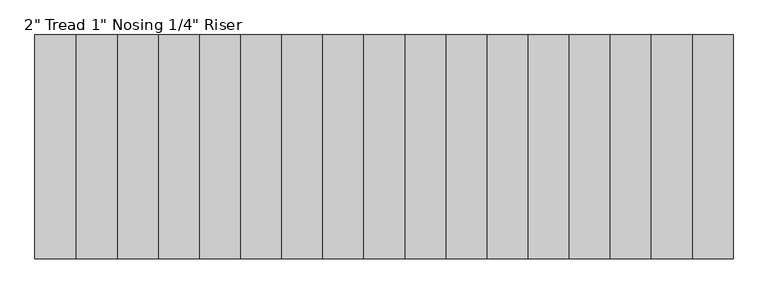
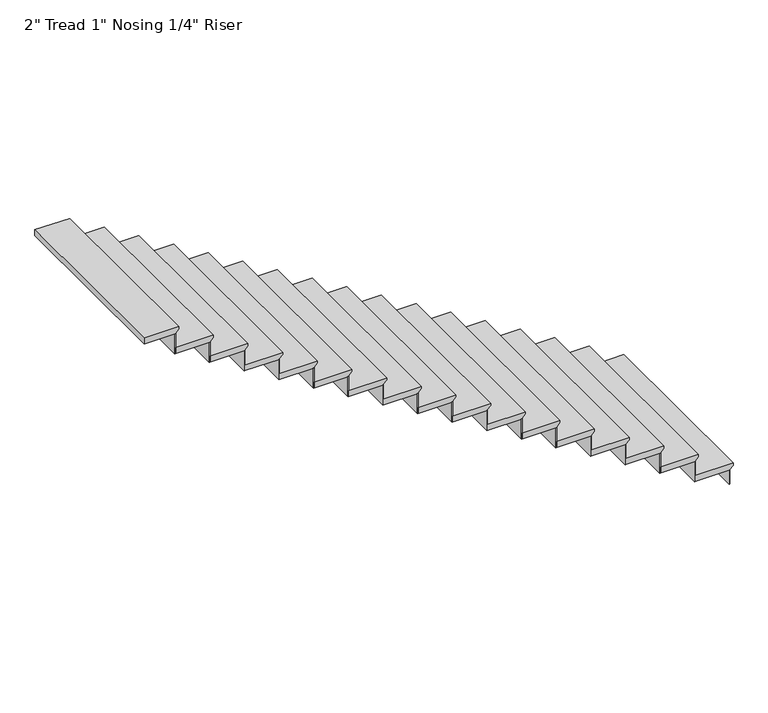
"""IFC4 building model written with IfcOpenShell, lengths in millimetres: stair flight geometry."""

from ifc_helpers import new_model, si_unit, frame, origin, origin_with_axes, place, context, project, spatial, polyline, outline, extrude, source, transform, mapped, element, save


def stair_flight_88319804(model_context):
    return source(origin(), model_context, "Body", "SweptSolid", [
        extrude(outline(polyline([(170.5428571, -328577.7168555), (170.5428571, -328882.5168555), (119.7428571, -328882.5168555), (119.7428571, -328603.1168555), (126.0928571, -328603.1168555), (151.4928571, -328577.7168555), (170.5428571, -328577.7168555)])), frame((0.0, 170909.3100981, 0.0), z_axis=(0.0, 1.0, 0.0), x_axis=(0.0, 0.0, 1.0)), (0.0, 0.0, 1.0), 1524.0),
        extrude(outline(polyline([(-328609.4668555, 172433.3100981), (-328603.1168555, 172433.3100981), (-328603.1168555, 170909.3100981), (-328609.4668555, 170909.3100981), (-328609.4668555, 172433.3100981)])), origin_with_axes(), (0.0, 0.0, 1.0), 119.7428571),
        extrude(outline(polyline([(-328888.8668555, 172433.3100981), (-328882.5168555, 172433.3100981), (-328882.5168555, 170909.3100981), (-328888.8668555, 170909.3100981), (-328888.8668555, 172433.3100981)])), frame((0.0, 0.0, 119.7428571), z_axis=(0.0, 0.0, 1.0), x_axis=(1.0, 0.0, 0.0)), (0.0, 0.0, 1.0), 170.5428571),
        extrude(outline(polyline([(341.0857143, -328857.1168555), (341.0857143, -329161.9168555), (290.2857143, -329161.9168555), (290.2857143, -328882.5168555), (296.6357143, -328882.5168555), (322.0357143, -328857.1168555), (341.0857143, -328857.1168555)])), frame((0.0, 170909.3100981, 0.0), z_axis=(0.0, 1.0, 0.0), x_axis=(0.0, 0.0, 1.0)), (0.0, 0.0, 1.0), 1524.0),
        extrude(outline(polyline([(-329168.2668555, 172433.3100981), (-329161.9168555, 172433.3100981), (-329161.9168555, 170909.3100981), (-329168.2668555, 170909.3100981), (-329168.2668555, 172433.3100981)])), frame((0.0, 0.0, 290.2857143), z_axis=(0.0, 0.0, 1.0), x_axis=(1.0, 0.0, 0.0)), (0.0, 0.0, 1.0), 170.5428571),
        extrude(outline(polyline([(511.6285714, -329136.5168555), (511.6285714, -329441.3168555), (460.8285714, -329441.3168555), (460.8285714, -329161.9168555), (467.1785714, -329161.9168555), (492.5785714, -329136.5168555), (511.6285714, -329136.5168555)])), frame((0.0, 170909.3100981, 0.0), z_axis=(0.0, 1.0, 0.0), x_axis=(0.0, 0.0, 1.0)), (0.0, 0.0, 1.0), 1524.0),
        extrude(outline(polyline([(-329447.6668555, 172433.3100981), (-329441.3168555, 172433.3100981), (-329441.3168555, 170909.3100981), (-329447.6668555, 170909.3100981), (-329447.6668555, 172433.3100981)])), frame((0.0, 0.0, 460.8285714), z_axis=(0.0, 0.0, 1.0), x_axis=(1.0, 0.0, 0.0)), (0.0, 0.0, 1.0), 170.5428571),
        extrude(outline(polyline([(682.1714286, -329415.9168555), (682.1714286, -329720.7168555), (631.3714286, -329720.7168555), (631.3714286, -329441.3168555), (637.7214286, -329441.3168555), (663.1214286, -329415.9168555), (682.1714286, -329415.9168555)])), frame((0.0, 170909.3100981, 0.0), z_axis=(0.0, 1.0, 0.0), x_axis=(0.0, 0.0, 1.0)), (0.0, 0.0, 1.0), 1524.0),
        extrude(outline(polyline([(-329727.0668555, 172433.3100981), (-329720.7168555, 172433.3100981), (-329720.7168555, 170909.3100981), (-329727.0668555, 170909.3100981), (-329727.0668555, 172433.3100981)])), frame((0.0, 0.0, 631.3714286), z_axis=(0.0, 0.0, 1.0), x_axis=(1.0, 0.0, 0.0)), (0.0, 0.0, 1.0), 170.5428571),
        extrude(outline(polyline([(852.7142857, -329695.3168555), (852.7142857, -330000.1168555), (801.9142857, -330000.1168555), (801.9142857, -329720.7168555), (808.2642857, -329720.7168555), (833.6642857, -329695.3168555), (852.7142857, -329695.3168555)])), frame((0.0, 170909.3100981, 0.0), z_axis=(0.0, 1.0, 0.0), x_axis=(0.0, 0.0, 1.0)), (0.0, 0.0, 1.0), 1524.0),
        extrude(outline(polyline([(-330006.4668555, 172433.3100981), (-330000.1168555, 172433.3100981), (-330000.1168555, 170909.3100981), (-330006.4668555, 170909.3100981), (-330006.4668555, 172433.3100981)])), frame((0.0, 0.0, 801.9142857), z_axis=(0.0, 0.0, 1.0), x_axis=(1.0, 0.0, 0.0)), (0.0, 0.0, 1.0), 170.5428571),
        extrude(outline(polyline([(1023.2571429, -329974.7168555), (1023.2571429, -330279.5168555), (972.4571429, -330279.5168555), (972.4571429, -330000.1168555), (978.8071429, -330000.1168555), (1004.2071429, -329974.7168555), (1023.2571429, -329974.7168555)])), frame((0.0, 170909.3100981, 0.0), z_axis=(0.0, 1.0, 0.0), x_axis=(0.0, 0.0, 1.0)), (0.0, 0.0, 1.0), 1524.0),
        extrude(outline(polyline([(-330285.8668555, 172433.3100981), (-330279.5168555, 172433.3100981), (-330279.5168555, 170909.3100981), (-330285.8668555, 170909.3100981), (-330285.8668555, 172433.3100981)])), frame((0.0, 0.0, 972.4571429), z_axis=(0.0, 0.0, 1.0), x_axis=(1.0, 0.0, 0.0)), (0.0, 0.0, 1.0), 170.5428571),
        extrude(outline(polyline([(1193.8, -330254.1168555), (1193.8, -330558.9168555), (1143.0, -330558.9168555), (1143.0, -330279.5168555), (1149.35, -330279.5168555), (1174.75, -330254.1168555), (1193.8, -330254.1168555)])), frame((0.0, 170909.3100981, 0.0), z_axis=(0.0, 1.0, 0.0), x_axis=(0.0, 0.0, 1.0)), (0.0, 0.0, 1.0), 1524.0),
        extrude(outline(polyline([(-330565.2668555, 172433.3100981), (-330558.9168555, 172433.3100981), (-330558.9168555, 170909.3100981), (-330565.2668555, 170909.3100981), (-330565.2668555, 172433.3100981)])), frame((0.0, 0.0, 1143.0), z_axis=(0.0, 0.0, 1.0), x_axis=(1.0, 0.0, 0.0)), (0.0, 0.0, 1.0), 170.5428571),
        extrude(outline(polyline([(1364.3428571, -330533.5168555), (1364.3428571, -330838.3168555), (1313.5428571, -330838.3168555), (1313.5428571, -330558.9168555), (1319.8928571, -330558.9168555), (1345.2928571, -330533.5168555), (1364.3428571, -330533.5168555)])), frame((0.0, 170909.3100981, 0.0), z_axis=(0.0, 1.0, 0.0), x_axis=(0.0, 0.0, 1.0)), (0.0, 0.0, 1.0), 1524.0),
        extrude(outline(polyline([(-330844.6668555, 172433.3100981), (-330838.3168555, 172433.3100981), (-330838.3168555, 170909.3100981), (-330844.6668555, 170909.3100981), (-330844.6668555, 172433.3100981)])), frame((0.0, 0.0, 1313.5428571), z_axis=(0.0, 0.0, 1.0), x_axis=(1.0, 0.0, 0.0)), (0.0, 0.0, 1.0), 170.5428571),
        extrude(outline(polyline([(1534.8857143, -330812.9168555), (1534.8857143, -331117.7168555), (1484.0857143, -331117.7168555), (1484.0857143, -330838.3168555), (1490.4357143, -330838.3168555), (1515.8357143, -330812.9168555), (1534.8857143, -330812.9168555)])), frame((0.0, 170909.3100981, 0.0), z_axis=(0.0, 1.0, 0.0), x_axis=(0.0, 0.0, 1.0)), (0.0, 0.0, 1.0), 1524.0),
        extrude(outline(polyline([(-331124.0668555, 172433.3100981), (-331117.7168555, 172433.3100981), (-331117.7168555, 170909.3100981), (-331124.0668555, 170909.3100981), (-331124.0668555, 172433.3100981)])), frame((0.0, 0.0, 1484.0857143), z_axis=(0.0, 0.0, 1.0), x_axis=(1.0, 0.0, 0.0)), (0.0, 0.0, 1.0), 170.5428571),
        extrude(outline(polyline([(1705.4285714, -331092.3168555), (1705.4285714, -331397.1168555), (1654.6285714, -331397.1168555), (1654.6285714, -331117.7168555), (1660.9785714, -331117.7168555), (1686.3785714, -331092.3168555), (1705.4285714, -331092.3168555)])), frame((0.0, 170909.3100981, 0.0), z_axis=(0.0, 1.0, 0.0), x_axis=(0.0, 0.0, 1.0)), (0.0, 0.0, 1.0), 1524.0),
        extrude(outline(polyline([(-331403.4668555, 172433.3100981), (-331397.1168555, 172433.3100981), (-331397.1168555, 170909.3100981), (-331403.4668555, 170909.3100981), (-331403.4668555, 172433.3100981)])), frame((0.0, 0.0, 1654.6285714), z_axis=(0.0, 0.0, 1.0), x_axis=(1.0, 0.0, 0.0)), (0.0, 0.0, 1.0), 170.5428571),
        extrude(outline(polyline([(1875.9714286, -331371.7168555), (1875.9714286, -331676.5168555), (1825.1714286, -331676.5168555), (1825.1714286, -331397.1168555), (1831.5214286, -331397.1168555), (1856.9214286, -331371.7168555), (1875.9714286, -331371.7168555)])), frame((0.0, 170909.3100981, 0.0), z_axis=(0.0, 1.0, 0.0), x_axis=(0.0, 0.0, 1.0)), (0.0, 0.0, 1.0), 1524.0),
        extrude(outline(polyline([(-331682.8668555, 172433.3100981), (-331676.5168555, 172433.3100981), (-331676.5168555, 170909.3100981), (-331682.8668555, 170909.3100981), (-331682.8668555, 172433.3100981)])), frame((0.0, 0.0, 1825.1714286), z_axis=(0.0, 0.0, 1.0), x_axis=(1.0, 0.0, 0.0)), (0.0, 0.0, 1.0), 170.5428571),
        extrude(outline(polyline([(2046.5142857, -331651.1168555), (2046.5142857, -331955.9168555), (1995.7142857, -331955.9168555), (1995.7142857, -331676.5168555), (2002.0642857, -331676.5168555), (2027.4642857, -331651.1168555), (2046.5142857, -331651.1168555)])), frame((0.0, 170909.3100981, 0.0), z_axis=(0.0, 1.0, 0.0), x_axis=(0.0, 0.0, 1.0)), (0.0, 0.0, 1.0), 1524.0),
        extrude(outline(polyline([(-331962.2668555, 172433.3100981), (-331955.9168555, 172433.3100981), (-331955.9168555, 170909.3100981), (-331962.2668555, 170909.3100981), (-331962.2668555, 172433.3100981)])), frame((0.0, 0.0, 1995.7142857), z_axis=(0.0, 0.0, 1.0), x_axis=(1.0, 0.0, 0.0)), (0.0, 0.0, 1.0), 170.5428571),
        extrude(outline(polyline([(2217.0571429, -331930.5168555), (2217.0571429, -332235.3168555), (2166.2571429, -332235.3168555), (2166.2571429, -331955.9168555), (2172.6071429, -331955.9168555), (2198.0071429, -331930.5168555), (2217.0571429, -331930.5168555)])), frame((0.0, 170909.3100981, 0.0), z_axis=(0.0, 1.0, 0.0), x_axis=(0.0, 0.0, 1.0)), (0.0, 0.0, 1.0), 1524.0),
        extrude(outline(polyline([(-332241.6668555, 172433.3100981), (-332235.3168555, 172433.3100981), (-332235.3168555, 170909.3100981), (-332241.6668555, 170909.3100981), (-332241.6668555, 172433.3100981)])), frame((0.0, 0.0, 2166.2571429), z_axis=(0.0, 0.0, 1.0), x_axis=(1.0, 0.0, 0.0)), (0.0, 0.0, 1.0), 170.5428571),
        extrude(outline(polyline([(2387.6, -332209.9168555), (2387.6, -332514.7168555), (2336.8, -332514.7168555), (2336.8, -332235.3168555), (2343.15, -332235.3168555), (2368.55, -332209.9168555), (2387.6, -332209.9168555)])), frame((0.0, 170909.3100981, 0.0), z_axis=(0.0, 1.0, 0.0), x_axis=(0.0, 0.0, 1.0)), (0.0, 0.0, 1.0), 1524.0),
        extrude(outline(polyline([(-332521.0668555, 172433.3100981), (-332514.7168555, 172433.3100981), (-332514.7168555, 170909.3100981), (-332521.0668555, 170909.3100981), (-332521.0668555, 172433.3100981)])), frame((0.0, 0.0, 2336.8), z_axis=(0.0, 0.0, 1.0), x_axis=(1.0, 0.0, 0.0)), (0.0, 0.0, 1.0), 170.5428571),
        extrude(outline(polyline([(2558.1428571, -332489.3168555), (2558.1428571, -332794.1168555), (2507.3428571, -332794.1168555), (2507.3428571, -332514.7168555), (2513.6928571, -332514.7168555), (2539.0928571, -332489.3168555), (2558.1428571, -332489.3168555)])), frame((0.0, 170909.3100981, 0.0), z_axis=(0.0, 1.0, 0.0), x_axis=(0.0, 0.0, 1.0)), (0.0, 0.0, 1.0), 1524.0),
        extrude(outline(polyline([(-332800.4668555, 172433.3100981), (-332794.1168555, 172433.3100981), (-332794.1168555, 170909.3100981), (-332800.4668555, 170909.3100981), (-332800.4668555, 172433.3100981)])), frame((0.0, 0.0, 2507.3428571), z_axis=(0.0, 0.0, 1.0), x_axis=(1.0, 0.0, 0.0)), (0.0, 0.0, 1.0), 170.5428571),
        extrude(outline(polyline([(2728.6857143, -332768.7168555), (2728.6857143, -333073.5168555), (2677.8857143, -333073.5168555), (2677.8857143, -332794.1168555), (2684.2357143, -332794.1168555), (2709.6357143, -332768.7168555), (2728.6857143, -332768.7168555)])), frame((0.0, 170909.3100981, 0.0), z_axis=(0.0, 1.0, 0.0), x_axis=(0.0, 0.0, 1.0)), (0.0, 0.0, 1.0), 1524.0),
        extrude(outline(polyline([(-333079.8668555, 172433.3100981), (-333073.5168555, 172433.3100981), (-333073.5168555, 170909.3100981), (-333079.8668555, 170909.3100981), (-333079.8668555, 172433.3100981)])), frame((0.0, 0.0, 2677.8857143), z_axis=(0.0, 0.0, 1.0), x_axis=(1.0, 0.0, 0.0)), (0.0, 0.0, 1.0), 170.5428571),
        extrude(outline(polyline([(2899.2285714, -333048.1168555), (2899.2285714, -333327.5168555), (2848.4285714, -333327.5168555), (2848.4285714, -333073.5168555), (2854.7785714, -333073.5168555), (2880.1785714, -333048.1168555), (2899.2285714, -333048.1168555)])), frame((0.0, 170909.3100981, 0.0), z_axis=(0.0, 1.0, 0.0), x_axis=(0.0, 0.0, 1.0)), (0.0, 0.0, 1.0), 1524.0),
    ])


if __name__ == "__main__":
    model = new_model("IFC4")
    model_context = context("Model", 3, world=origin())
    ifc_project = project(units=[si_unit("LENGTHUNIT", "METRE", prefix="MILLI")], contexts=[model_context])
    site = spatial("IfcSite", under=ifc_project)
    building = spatial("IfcBuilding", under=site)
    placement = place(None, origin())
    stair_flight_shape = stair_flight_88319804(model_context)
    element("IfcStairFlight", 1, ObjectType="2\" Tread 1\" Nosing 1/4\" Riser", at=placement, inside=building, context=model_context, shape_type="MappedRepresentation", body=[
        mapped(stair_flight_shape, transform((0.0, 0.0, 0.0), x_axis=(1.0, 0.0, 0.0), y_axis=(0.0, 1.0, 0.0), z_axis=(0.0, 0.0, 1.0))),
    ])
    save(model, "model.ifc")
